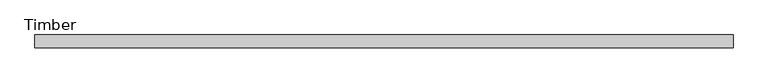
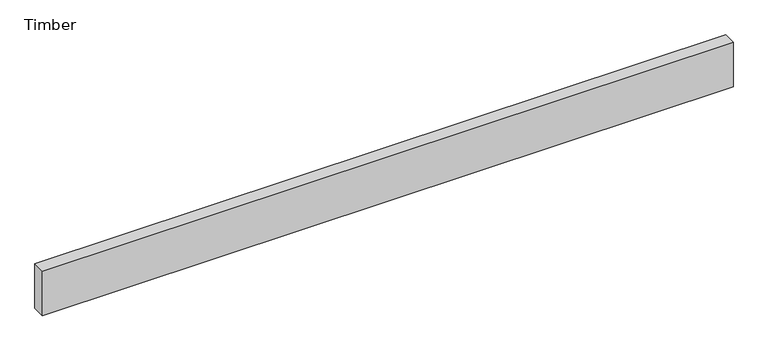
"""IFC4 building model written with IfcOpenShell, lengths in millimetres: beam geometry, Timber."""

from ifc_helpers import new_model, si_unit, frame, origin, place, context, project, spatial, polyline, outline, extrude, source, transform, mapped, element, save


def timber_72b85b04(model_context):
    return source(origin(), model_context, "Body", "SweptSolid", [
        extrude(outline(polyline([(1023.2385972, -19.05), (-1023.2385972, -19.05), (-1023.2385972, 19.05), (1023.2385972, 19.05), (1023.2385972, -19.05)])), frame((0.0, 0.0, -69.85), z_axis=(0.0, 0.0, 1.0), x_axis=(1.0, 0.0, 0.0)), (0.0, 0.0, 1.0), 139.7),
    ])


if __name__ == "__main__":
    model = new_model("IFC4")
    model_context = context("Model", 3, world=origin())
    ifc_project = project(units=[si_unit("LENGTHUNIT", "METRE", prefix="MILLI")], contexts=[model_context])
    site = spatial("IfcSite", under=ifc_project)
    building = spatial("IfcBuilding", under=site)
    placement = place(None, origin())
    timber_shape = timber_72b85b04(model_context)
    element("IfcBeam", 1, ObjectType="Timber", at=placement, inside=building, context=model_context, shape_type="MappedRepresentation", body=[
        mapped(timber_shape, transform((0.0, 0.0, 0.0), x_axis=(1.0, 0.0, 0.0), y_axis=(0.0, 1.0, 0.0), z_axis=(0.0, 0.0, 1.0))),
    ])
    save(model, "model.ifc")
